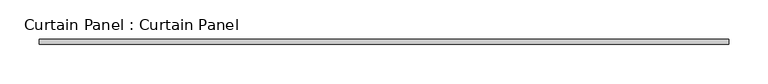
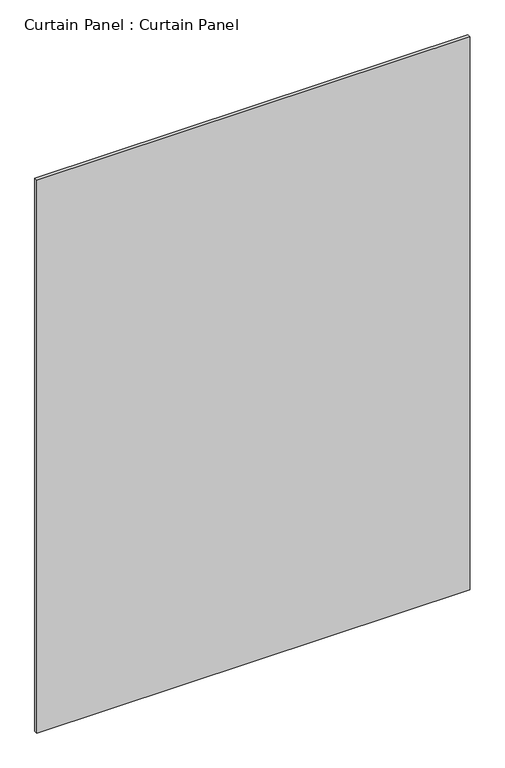
"""IFC4 building model written with IfcOpenShell, lengths in millimetres: plate geometry, Curtain Panel : Curtain Panel."""

from ifc_helpers import new_model, si_unit, frame, origin, place, context, project, spatial, polyline, outline, extrude, source, transform, mapped, element, save


def curtain_panel_curtain_panel_3e0ee3f8(model_context):
    return source(origin(), model_context, "Body", "SweptSolid", [
        extrude(outline(polyline([(-30356.2634439, -2014.0258286), (-31234.1890439, -2014.0258286), (-31234.1890439, -2007.6758286), (-30356.2634439, -2007.6758286), (-30356.2634439, -2014.0258286)])), frame((0.0, 0.0, 1230.8448793), z_axis=(0.0, 0.0, 1.0), x_axis=(1.0, 0.0, 0.0)), (0.0, 0.0, 1.0), 1183.7807207),
    ])


if __name__ == "__main__":
    model = new_model("IFC4")
    model_context = context("Model", 3, world=origin())
    ifc_project = project(units=[si_unit("LENGTHUNIT", "METRE", prefix="MILLI")], contexts=[model_context])
    site = spatial("IfcSite", under=ifc_project)
    building = spatial("IfcBuilding", under=site)
    placement = place(None, origin())
    curtain_panel_curtain_panel_shape = curtain_panel_curtain_panel_3e0ee3f8(model_context)
    element("IfcPlate", 1, ObjectType="Curtain Panel : Curtain Panel", at=placement, inside=building, context=model_context, shape_type="MappedRepresentation", body=[
        mapped(curtain_panel_curtain_panel_shape, transform((0.0, 0.0, 0.0), x_axis=(1.0, 0.0, 0.0), y_axis=(0.0, 1.0, 0.0), z_axis=(0.0, 0.0, 1.0))),
    ])
    save(model, "model.ifc")
